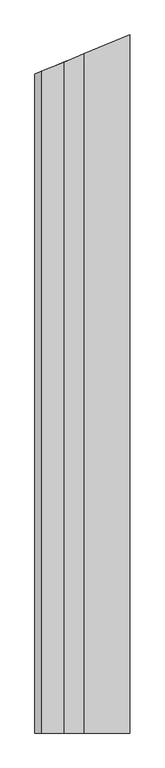
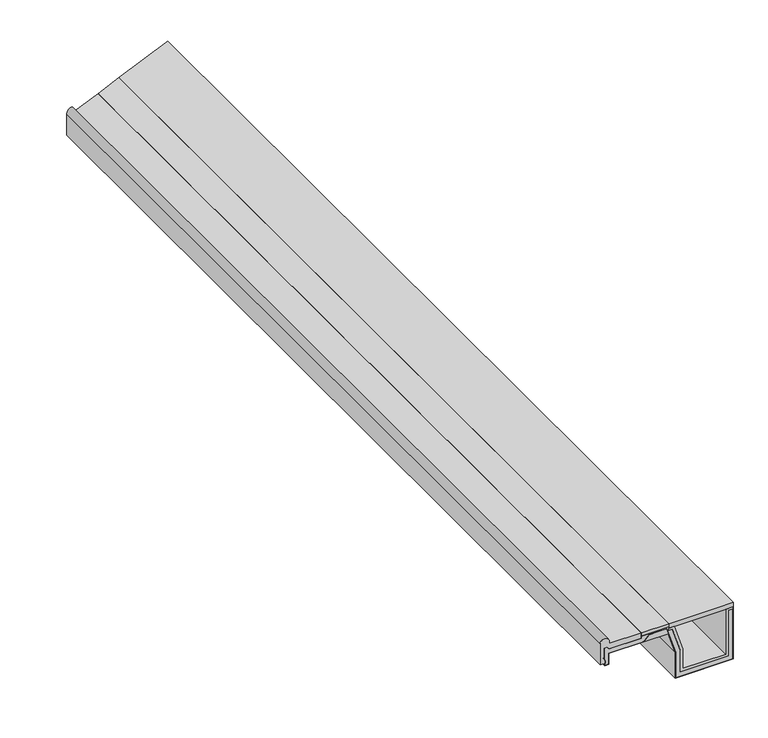
"""IFC4 building model written with IfcOpenShell, lengths in millimetres: proxy geometry."""

import ifcopenshell
import ifcopenshell.guid

model = None  # the IFC model being written
_history = None  # IfcOwnerHistory: only IFC2X3 demands one
_inside = {}  # id of a spatial element -> (the spatial element, [elements in it])
_under = {}  # id of a project, library or spatial element -> (it, [spatial elements below it])
_declared = {}  # id of a project -> (the project, [libraries it declares])
_typed = {}  # id of a type object -> (the type object, [elements of that type])
_made_of = {}  # id of a material, layer set ... -> (it, [elements and type objects made of it])


def new_model(schema):
    """Start an empty IFC model of exactly this schema.

    Asked for "IFC4X3", IfcOpenShell would pick the latest addendum, in which some entities
    have other attributes; the version numbers below select the first issue.
    IFC2X3 requires an IfcOwnerHistory on every rooted entity: one is made here for all.
    """
    global model, _history
    if schema == "IFC4X3":
        model = ifcopenshell.file(schema_version=(4, 3, 0, 0))
    else:
        model = ifcopenshell.file(schema=schema)
    _inside.clear()
    _under.clear()
    _declared.clear()
    _typed.clear()
    _made_of.clear()
    _history = None
    if model.schema == "IFC2X3":
        org = make("IfcOrganization", Name="unknown")
        user = make(
            "IfcPersonAndOrganization",
            ThePerson=make("IfcPerson", FamilyName="unknown"),
            TheOrganization=org,
        )
        app = make(
            "IfcApplication",
            ApplicationDeveloper=org,
            Version="unknown",
            ApplicationFullName="unknown",
            ApplicationIdentifier="unknown",
        )
        _history = make(
            "IfcOwnerHistory",
            OwningUser=user,
            OwningApplication=app,
            ChangeAction="ADDED",
            CreationDate=0,
        )
    return model


def make(cls, **values):
    """One entity of the class cls with the attributes given. An attribute that is None is left unset."""
    return model.create_entity(
        cls, **{name: value for name, value in values.items() if value is not None}
    )


def rooted(cls, **values):
    """An entity with a GlobalId (a new one), such as an element, a storey or a relation."""
    return make(cls, GlobalId=ifcopenshell.guid.new(), OwnerHistory=_history, **values)


def si_unit(unit_type, name, prefix=None):
    """IfcSIUnit, for example si_unit("LENGTHUNIT", "METRE", prefix="MILLI")."""
    return make("IfcSIUnit", UnitType=unit_type, Prefix=prefix, Name=name)


def assignment(units):
    """IfcUnitAssignment: the units of a project."""
    return None if units is None else make("IfcUnitAssignment", Units=units)


def point(xyz):
    """IfcCartesianPoint."""
    return None if xyz is None else make("IfcCartesianPoint", Coordinates=xyz)


def direction(xyz):
    """IfcDirection."""
    return None if xyz is None else make("IfcDirection", DirectionRatios=xyz)


def frame(location, z_axis=None, x_axis=None):
    """IfcAxis2Placement3D, a coordinate frame: its origin and axes. An axis left out is left unset."""
    return make(
        "IfcAxis2Placement3D",
        Location=point(location),
        Axis=direction(z_axis),
        RefDirection=direction(x_axis),
    )


def origin():
    """The frame at (0, 0, 0) with its axes left unset."""
    return frame((0.0, 0.0, 0.0))


def place(relative_to, where):
    """IfcLocalPlacement: puts the frame where relative to a parent placement (None: the world)."""
    return make(
        "IfcLocalPlacement", PlacementRelTo=relative_to, RelativePlacement=where
    )


def context(
    kind, dimensions, precision=None, world=None, true_north=None, identifier=None
):
    """IfcGeometricRepresentationContext, for example the 3D "Model" context."""
    return make(
        "IfcGeometricRepresentationContext",
        ContextIdentifier=identifier,
        ContextType=kind,
        CoordinateSpaceDimension=dimensions,
        Precision=precision,
        WorldCoordinateSystem=world,
        TrueNorth=true_north,
    )


def project(units=None, contexts=None):
    """IfcProject with its units and contexts."""
    return rooted(
        "IfcProject",
        Name="project",
        RepresentationContexts=contexts,
        UnitsInContext=assignment(units),
    )


def spatial(cls, under=None, at=None, **own):
    """A site, building, storey or space (cls), placed at a placement, below another one or the project."""
    s = rooted(cls, ObjectPlacement=at, **own)
    if under is not None:
        _under.setdefault(under.id(), (under, []))[1].append(s)
    return s


def polyline(points):
    """IfcPolyline through the points."""
    return make("IfcPolyline", Points=[point(p) for p in points])


def circle_curve(where, radius):
    """IfcCircle in the frame where."""
    return make("IfcCircle", Position=where, Radius=radius)


def ellipse_curve(where, semi_axis1, semi_axis2):
    """IfcEllipse in the frame where."""
    return make(
        "IfcEllipse", Position=where, SemiAxis1=semi_axis1, SemiAxis2=semi_axis2
    )


def outline(outer, holes=None, kind="AREA"):
    """IfcArbitraryClosedProfileDef: a profile drawn as a closed curve; with holes, ...WithVoids."""
    if holes is None:
        return make("IfcArbitraryClosedProfileDef", ProfileType=kind, OuterCurve=outer)
    return make(
        "IfcArbitraryProfileDefWithVoids",
        ProfileType=kind,
        OuterCurve=outer,
        InnerCurves=holes,
    )


def extrude(swept, where, along, depth):
    """IfcExtrudedAreaSolid: the profile swept, set in the frame where, extruded along a direction by depth."""
    return make(
        "IfcExtrudedAreaSolid",
        SweptArea=swept,
        Position=where,
        ExtrudedDirection=direction(along),
        Depth=depth,
    )


def faces_of(points, faces, orient=None, outer=None):
    """IfcFace entities. A face is a list of loops; a loop is a list of indices into points, from 0.

    orient and outer hold one flag for each loop. By default every Orientation is true, the
    first loop of a face is its IfcFaceOuterBound and the others are IfcFaceBound.
    """
    made = []
    for i, loops in enumerate(faces):
        bounds = []
        for j, loop in enumerate(loops):
            is_outer = j == 0 if outer is None else outer[i][j]
            bounds.append(
                make(
                    "IfcFaceOuterBound" if is_outer else "IfcFaceBound",
                    Bound=make("IfcPolyLoop", Polygon=[points[k] for k in loop]),
                    Orientation=True if orient is None else orient[i][j],
                )
            )
        made.append(make("IfcFace", Bounds=bounds))
    return made


def faceted_brep(points, faces, orient=None, outer=None, voids=None):
    """IfcFacetedBrep: a solid bounded by flat faces; with voids (closed shells), ...WithVoids."""
    shared = [point(p) for p in points]
    hull = make("IfcClosedShell", CfsFaces=faces_of(shared, faces, orient, outer))
    if voids is None:
        return make("IfcFacetedBrep", Outer=hull)
    return make(
        "IfcFacetedBrepWithVoids",
        Outer=hull,
        Voids=[
            make(cls, CfsFaces=faces_of(shared, fs, o, b)) for cls, fs, o, b in voids
        ],
    )


def shape(context_of_items, identifier, shape_type, items):
    """IfcShapeRepresentation: the items that make up one representation, for example the "Body"."""
    return make(
        "IfcShapeRepresentation",
        ContextOfItems=context_of_items,
        RepresentationIdentifier=identifier,
        RepresentationType=shape_type,
        Items=items,
    )


def source(mapping_origin, context_of_items, identifier, shape_type, items):
    """IfcRepresentationMap: a shape defined once, which mapped items show again and again."""
    return make(
        "IfcRepresentationMap",
        MappingOrigin=mapping_origin,
        MappedRepresentation=shape(context_of_items, identifier, shape_type, items),
    )


def transform(
    local_origin,
    x_axis=None,
    y_axis=None,
    z_axis=None,
    scale=None,
    scale2=None,
    scale3=None,
    uniform=True,
):
    """IfcCartesianTransformationOperator3D, or its non-uniform kind. x_axis, y_axis, z_axis: its Axis1, 2, 3."""
    if uniform:
        return make(
            "IfcCartesianTransformationOperator3D",
            Axis1=direction(x_axis),
            Axis2=direction(y_axis),
            LocalOrigin=point(local_origin),
            Scale=scale,
            Axis3=direction(z_axis),
        )
    return make(
        "IfcCartesianTransformationOperator3DnonUniform",
        Axis1=direction(x_axis),
        Axis2=direction(y_axis),
        LocalOrigin=point(local_origin),
        Scale=scale,
        Axis3=direction(z_axis),
        Scale2=scale2,
        Scale3=scale3,
    )


def mapped(mapping_source, mapping_target):
    """IfcMappedItem: shows the shape of a source again, moved by a transform."""
    return make(
        "IfcMappedItem", MappingSource=mapping_source, MappingTarget=mapping_target
    )


def made_of(thing, what):
    """Note that an element or type object is made of a material, layer set ...; save() writes the relation."""
    if what is not None:
        _made_of.setdefault(what.id(), (what, []))[1].append(thing)
    return thing


def element(
    cls,
    number,
    at=None,
    inside=None,
    cuts=None,
    type_object=None,
    material=None,
    context=None,
    identifier="Body",
    shape_type=None,
    held_by="IfcProductDefinitionShape",
    body=None,
    shapes=None,
    **own,
):
    """One element of the class cls, such as IfcWall. Its Tag is "e" and its number.

    at: its placement. inside: the storey or other place that contains it. cuts: it is an
    opening in that element (IfcRelVoidsElement). A single representation is given by context,
    identifier, shape_type and body (its items); several are given by shapes. held_by: the class
    of the entity that holds the representations. save() writes the other relations.
    """
    e = rooted(cls, Tag="e%d" % number, ObjectPlacement=at, **own)
    if body is not None:
        shapes = [shape(context, identifier, shape_type, body)]
    if shapes is not None:
        e.Representation = make(held_by, Representations=shapes)
    if inside is not None:
        _inside.setdefault(inside.id(), (inside, []))[1].append(e)
    if cuts is not None:
        rooted(
            "IfcRelVoidsElement", RelatingBuildingElement=cuts, RelatedOpeningElement=e
        )
    if type_object is not None:
        _typed.setdefault(type_object.id(), (type_object, []))[1].append(e)
    return made_of(e, material)


def aggregate(whole, parts):
    """IfcRelAggregates: a whole, such as a stair, and the parts it consists of."""
    return rooted("IfcRelAggregates", RelatingObject=whole, RelatedObjects=parts)


def save(model, path):
    """Write the relations noted so far, then the file.

    IfcRelAggregates (storeys below a building ...), IfcRelContainedInSpatialStructure (elements
    in a storey), IfcRelDefinesByType, IfcRelAssociatesMaterial and IfcRelDeclares: one each for
    every whole, place, type object, material and project.
    """
    for whole, parts in _under.values():
        aggregate(whole, parts)
    for where, things in _inside.values():
        rooted(
            "IfcRelContainedInSpatialStructure",
            RelatedElements=things,
            RelatingStructure=where,
        )
    for kind, things in _typed.values():
        rooted("IfcRelDefinesByType", RelatedObjects=things, RelatingType=kind)
    for what, things in _made_of.values():
        rooted("IfcRelAssociatesMaterial", RelatedObjects=things, RelatingMaterial=what)
    for by, libraries in _declared.values():
        rooted("IfcRelDeclares", RelatingContext=by, RelatedDefinitions=libraries)
    model.write(path)


def plane_surface(at):
    """IfcPlane: the flat surface through the origin of the frame at, square to its z axis."""
    return make("IfcPlane", Position=at)


def cylinder_surface(at, radius):
    """IfcCylindricalSurface: all points at the distance radius from the z axis of the frame at."""
    return make("IfcCylindricalSurface", Position=at, Radius=radius)


def advanced_brep(points, edges, surfaces, faces):
    """IfcAdvancedBrep: a solid bounded by faces that lie on surfaces and meet in shared edges.

    An edge is (start, end): straight between two places in points (the first is 0);
    or (start, end, curve); or (start, end, curve, False) where it runs against its curve.
    A face is (place in surfaces, loops), or (place, loops, False) where it looks against
    its surface's normal. A loop lists edges by number (the first is 1), with a minus sign
    where the edge is run from its end to its start. The first loop is the outer one.
    """
    corners = [point(p) for p in points]
    vertices = [make("IfcVertexPoint", VertexGeometry=c) for c in corners]
    made = []
    for start, end, *more in edges:
        made.append(
            make(
                "IfcEdgeCurve",
                EdgeStart=vertices[start],
                EdgeEnd=vertices[end],
                EdgeGeometry=more[0] if more else make("IfcPolyline", Points=[corners[start], corners[end]]),
                SameSense=more[1] if len(more) > 1 else True,
            )
        )
    hull = []
    for where, loops, *sense in faces:
        bounds = []
        for j, loop in enumerate(loops):
            ring = [make("IfcOrientedEdge", EdgeElement=made[abs(k) - 1], Orientation=k > 0) for k in loop]
            bounds.append(
                make(
                    "IfcFaceOuterBound" if j == 0 else "IfcFaceBound",
                    Bound=make("IfcEdgeLoop", EdgeList=ring),
                    Orientation=True,
                )
            )
        hull.append(make("IfcAdvancedFace", Bounds=bounds, FaceSurface=surfaces[where], SameSense=sense[0] if sense else True))
    return make("IfcAdvancedBrep", Outer=make("IfcClosedShell", CfsFaces=hull))


def generic_models_beae66f7(model_context):
    return source(origin(), model_context, "Body", "SolidModel", [
        faceted_brep([(315.0, -2137.9753397, 231.0), (350.0, -2137.9753397, 121.0), (350.0, -2137.9753397, 21.0), (560.0, -2137.9753397, 21.0), (560.0, -2137.9753397, 231.0), (580.0, -2137.9753397, 231.0), (580.0, -2137.9753397, 241.0), (548.0, -2137.9753397, 241.0), (548.0, -2137.9753397, 33.0), (362.0, -2137.9753397, 33.0), (362.0, -2137.9753397, 122.8630733), (324.4109779, -2137.9753397, 241.0), (300.0, -2137.9753397, 241.0), (300.0, -2137.9753397, 231.0), (300.0, 2021.5813287, 231.0), (315.0, 2027.7945321, 231.0), (300.0, 2021.5813287, 241.0), (324.4109779, 2031.6926868, 241.0), (362.0, 2047.2625696, 122.8630733), (362.0, 2047.2625696, 33.0), (548.0, 2124.3062922, 33.0), (548.0, 2124.3062922, 241.0), (580.0, 2137.5611261, 241.0), (580.0, 2137.5611261, 231.0), (560.0, 2129.2768549, 231.0), (560.0, 2129.2768549, 21.0), (350.0, 2042.2920068, 21.0), (350.0, 2042.2920068, 121.0)], [[[0, 1, 2, 3, 4, 5, 6, 7, 8, 9, 10, 11, 12, 13]], [[0, 13, 14, 15]], [[13, 12, 16, 14]], [[12, 11, 17, 16]], [[11, 10, 18, 17]], [[10, 9, 19, 18]], [[9, 8, 20, 19]], [[8, 7, 21, 20]], [[7, 6, 22, 21]], [[6, 5, 23, 22]], [[5, 4, 24, 23]], [[4, 3, 25, 24]], [[3, 2, 26, 25]], [[2, 1, 27, 26]], [[1, 0, 15, 27]], [[15, 14, 16, 17, 18, 19, 20, 21, 22, 23, 24, 25, 26, 27]]]),
        faceted_brep([(290.0989705, -2137.9753397, 240.0), (298.053516, -2137.9753397, 215.0), (298.053516, 2020.7750686, 215.0), (290.0989705, 2017.480188, 240.0), (190.4204922, -2137.9753397, 215.0), (190.4204922, 1976.1920104, 215.0), (215.4204922, -2137.9753397, 240.0), (215.4204922, 1986.5473495, 240.0)], [[[0, 1, 2, 3]], [[1, 4, 5, 2]], [[4, 6, 7, 5]], [[6, 0, 3, 7]], [[3, 2, 5, 7]], [[0, 6, 4, 1]]]),
        faceted_brep([(37.5062786, -2137.9753397, 166.0), (37.5062786, -2137.9753397, 216.0), (37.5062786, 1912.8528693, 216.0), (37.5062786, 1912.8528693, 166.0), (190.0062786, -2137.9753397, 216.0), (190.0062786, 1976.0204375, 216.0), (215.0062786, -2137.9753397, 241.0), (215.0062786, 1986.3757766, 241.0), (290.8301884, -2137.9753397, 241.0), (290.8301884, 2017.7830684, 241.0), (330.0, -2137.9753397, 117.8948778), (330.0, 2034.0077356, 117.8948778), (330.0, -2137.9753397, 1.0), (330.0, 2034.0077356, 1.0), (580.0, -2137.9753397, 1.0), (580.0, 2137.5611261, 1.0), (580.0, -2137.9753397, 241.0), (580.0, 2137.5611261, 241.0), (581.0, -2137.9753397, 241.0), (581.0, 2137.9753397, 241.0), (581.0, -2137.9753397, 0.0), (581.0, 2137.9753397, 0.0), (329.0, -2137.9753397, 0.0), (329.0, 2033.593522, 0.0), (329.0, -2137.9753397, 117.7396217), (329.0, 2033.593522, 117.7396217), (290.0989705, -2137.9753397, 240.0), (290.0989705, 2017.480188, 240.0), (215.4204922, -2137.9753397, 240.0), (215.4204922, 1986.5473495, 240.0), (190.4204922, -2137.9753397, 215.0), (190.4204922, 1976.1920104, 215.0), (38.5062786, -2137.9753397, 215.0), (38.5062786, 1913.2670828, 215.0), (38.5062786, -2137.9753397, 165.0), (38.5062786, 1913.2670828, 165.0), (20.0, -2137.9753397, 165.0), (20.0, 1905.6015312, 165.0), (20.0, -2137.9753397, 166.0), (20.0, 1905.6015312, 166.0)], [[[0, 1, 2, 3]], [[1, 4, 5, 2]], [[4, 6, 7, 5]], [[6, 8, 9, 7]], [[8, 10, 11, 9]], [[10, 12, 13, 11]], [[12, 14, 15, 13]], [[14, 16, 17, 15]], [[16, 18, 19, 17]], [[18, 20, 21, 19]], [[20, 22, 23, 21]], [[22, 24, 25, 23]], [[24, 26, 27, 25]], [[26, 28, 29, 27]], [[28, 30, 31, 29]], [[30, 32, 33, 31]], [[32, 34, 35, 33]], [[34, 36, 37, 35]], [[36, 38, 39, 37]], [[38, 0, 3, 39]], [[3, 2, 5, 7, 9, 11, 13, 15, 17, 19, 21, 23, 25, 27, 29, 31, 33, 35, 37, 39]], [[0, 38, 36, 34, 32, 30, 28, 26, 24, 22, 20, 18, 16, 14, 12, 10, 8, 6, 4, 1]]]),
        faceted_brep([(37.5062786, -2137.9753397, 166.0), (20.0, -2137.9753397, 166.0), (20.0, 1905.6015312, 166.0), (37.5062786, 1912.8528693, 166.0), (20.0, -2137.9753397, 176.0), (20.0, 1905.6015312, 176.0), (22.5, -2137.9753397, 176.0), (22.5, 1906.6370651, 176.0), (22.5, -2137.9753397, 186.0), (22.5, 1906.6370651, 186.0), (17.5062786, -2137.9753397, 194.6493791), (17.5062786, 1904.568598, 194.6493791), (17.5062786, -2137.9753397, 246.0), (17.5062786, 1904.568598, 246.0), (30.0, -2137.9753397, 246.0), (30.0, 1909.7436668, 246.0), (40.0, -2137.9753397, 236.0), (40.0, 1913.8858025, 236.0), (180.0, -2137.9753397, 236.0), (180.0, 1971.8757012, 236.0), (180.0, -2137.9753397, 246.0), (180.0, 1971.8757012, 246.0), (300.0, -2137.9753397, 246.0), (300.0, 2021.5813287, 246.0), (300.0, -2137.9753397, 231.0), (300.0, 2021.5813287, 231.0), (315.0, -2137.9753397, 231.0), (315.0, 2027.7945321, 231.0), (350.0, -2137.9753397, 121.0), (350.0, 2042.2920068, 121.0), (350.0, -2137.9753397, 21.0), (350.0, 2042.2920068, 21.0), (560.0, -2137.9753397, 21.0), (560.0, 2129.2768549, 21.0), (560.0, -2137.9753397, 231.0), (560.0, 2129.2768549, 231.0), (580.0, -2137.9753397, 231.0), (580.0, 2137.5611261, 231.0), (580.0, -2137.9753397, 1.0), (580.0, 2137.5611261, 1.0), (330.0, -2137.9753397, 1.0), (330.0, 2034.0077356, 1.0), (330.0, -2137.9753397, 117.8948778), (330.0, 2034.0077356, 117.8948778), (290.8301884, -2137.9753397, 241.0), (290.8301884, 2017.7830684, 241.0), (215.0062786, -2137.9753397, 241.0), (215.0062786, 1986.3757766, 241.0), (190.0062786, -2137.9753397, 216.0), (190.0062786, 1976.0204375, 216.0), (37.5062786, -2137.9753397, 216.0), (37.5062786, 1912.8528693, 216.0)], [[[0, 1, 2, 3]], [[1, 4, 5, 2]], [[4, 6, 7, 5]], [[6, 8, 9, 7]], [[8, 10, 11, 9]], [[10, 12, 13, 11]], [[12, 14, 15, 13]], [[14, 16, 17, 15]], [[16, 18, 19, 17]], [[18, 20, 21, 19]], [[20, 22, 23, 21]], [[22, 24, 25, 23]], [[24, 26, 27, 25]], [[26, 28, 29, 27]], [[28, 30, 31, 29]], [[30, 32, 33, 31]], [[32, 34, 35, 33]], [[34, 36, 37, 35]], [[36, 38, 39, 37]], [[38, 40, 41, 39]], [[40, 42, 43, 41]], [[42, 44, 45, 43]], [[44, 46, 47, 45]], [[46, 48, 49, 47]], [[48, 50, 51, 49]], [[50, 0, 3, 51]], [[3, 2, 5, 7, 9, 11, 13, 15, 17, 19, 21, 23, 25, 27, 29, 31, 33, 35, 37, 39, 41, 43, 45, 47, 49, 51]], [[0, 50, 48, 46, 44, 42, 40, 38, 36, 34, 32, 30, 28, 26, 24, 22, 20, 18, 16, 14, 12, 10, 8, 6, 4, 1]]]),
        extrude(outline(polyline([(300.0, -2137.9753397), (180.0, -2137.9753397), (180.0, 1971.8757012), (300.0, 2021.5813287), (300.0, -2137.9753397)])), frame((0.0, 0.0, 246.0), z_axis=(0.0, 0.0, 1.0), x_axis=(1.0, 0.0, 0.0)), (0.0, 0.0, 1.0), 15.0),
        faceted_brep([(300.0, -2137.9753397, 261.0), (300.0, 2021.5813287, 261.0), (300.0, 2021.5813287, 241.0), (300.0, -2137.9753397, 241.0), (581.0, -2137.9753397, 261.0), (581.0, 2137.9753397, 261.0), (581.0, 2137.9753397, 241.0), (581.0, -2137.9753397, 241.0)], [[[0, 1, 2, 3]], [[0, 4, 5, 1]], [[1, 5, 6, 2]], [[4, 7, 6, 5]], [[3, 2, 6, 7]], [[4, 0, 3, 7]]]),
        advanced_brep(
        [(40.0, -2137.9753397, 261.0), (180.0, -2137.9753397, 261.0), (180.0, 1971.8757012, 261.0), (40.0, 1913.8858025, 261.0), (180.0, -2137.9753397, 236.0), (180.0, 1971.8757012, 236.0), (40.0, -2137.9753397, 236.0), (40.0, 1913.8858025, 236.0), (30.0, -2137.9753397, 246.0), (30.0, 1909.7436668, 246.0), (17.5062786, -2137.9753397, 246.0), (17.5062786, 1904.568598, 246.0), (17.5062786, -2137.9753397, 194.6493791), (17.5062786, 1904.568598, 194.6493791), (22.5, -2137.9753397, 186.0), (22.5, 1906.6370651, 186.0), (22.5, -2137.9753397, 176.0), (22.5, 1906.6370651, 176.0), (0.0, -2137.9753397, 176.0), (0.0, 1897.31726, 176.0), (0.0, -2137.9753397, 271.0), (0.0, 1897.31726, 271.0), (40.0, -2137.9753397, 271.0), (40.0, 1913.8858025, 271.0), (20.0, 1905.6015312, 291.0)],
        [
            (0, 1),
            (1, 2),
            (2, 3),
            (3, 0),
            (1, 4),
            (4, 5),
            (5, 2),
            (4, 6),
            (6, 7),
            (7, 5),
            (6, 8),
            (8, 9),
            (9, 7),
            (8, 10),
            (10, 11),
            (11, 9),
            (10, 12),
            (12, 13),
            (13, 11),
            (12, 14),
            (14, 15),
            (15, 13),
            (14, 16),
            (16, 17),
            (17, 15),
            (16, 18),
            (18, 19),
            (19, 17),
            (18, 20),
            (20, 21),
            (21, 19),
            (20, 22, circle_curve(frame((20.0, -2137.9753397, 271.0), z_axis=(0.0, 1.0, 0.0), x_axis=(1.0, 0.0, 0.0)), 20.0)),
            (22, 23),
            (23, 24, ellipse_curve(frame((20.0, 1905.6015312, 271.0), z_axis=(0.38268343236508917, -0.923879532511287, 0.0), x_axis=(0.9238795325112868, 0.38268343236508956, 0.0)), 21.647844, 20.0)),
            (24, 21, ellipse_curve(frame((20.0, 1905.6015312, 271.0), z_axis=(0.38268343236508917, -0.923879532511287, 0.0), x_axis=(0.9238795325112868, 0.38268343236508956, 0.0)), 21.647844, 20.0)),
            (22, 0),
            (3, 23),
        ],
        [
            plane_surface(frame((40.0, 2137.9753397, 261.0), z_axis=(0.0, 0.0, 1.0), x_axis=(0.0, -1.0, 0.0))),
            plane_surface(frame((180.0, 2137.9753397, 261.0), z_axis=(1.0, 0.0, 0.0), x_axis=(0.0, -1.0, 0.0))),
            plane_surface(frame((180.0, 2137.9753397, 236.0), z_axis=(0.0, 0.0, -1.0), x_axis=(0.0, -1.0, 0.0))),
            plane_surface(frame((40.0, 2137.9753397, 236.0), z_axis=(-0.7071067811865495, 0.0, -0.7071067811865456), x_axis=(0.0, -1.0, 0.0))),
            plane_surface(frame((30.0, 2137.9753397, 246.0), z_axis=(0.0, 0.0, -1.0), x_axis=(0.0, -1.0, 0.0))),
            plane_surface(frame((17.5062786, 2137.9753397, 246.0), z_axis=(1.0, 0.0, 0.0), x_axis=(0.0, -1.0, 0.0))),
            plane_surface(frame((17.5062786, 2137.9753397, 194.6493791), z_axis=(0.8660254037844389, 0.0, 0.4999999999999996), x_axis=(0.0, -1.0, 0.0))),
            plane_surface(frame((22.5, 2137.9753397, 186.0), z_axis=(1.0, 0.0, 0.0), x_axis=(0.0, -1.0, 0.0))),
            plane_surface(frame((22.5, 2137.9753397, 176.0), z_axis=(0.0, 0.0, -1.0), x_axis=(0.0, -1.0, 0.0))),
            plane_surface(frame((0.0, 2137.9753397, 176.0), z_axis=(-1.0, 0.0, 0.0), x_axis=(0.0, -1.0, 0.0))),
            cylinder_surface(frame((20.0, 2137.9753397, 271.0), z_axis=(0.0, 1.0, 0.0), x_axis=(1.0, 0.0, 0.0)), 20.0),
            plane_surface(frame((40.0, 2137.9753397, 271.0), z_axis=(1.0, 0.0, 0.0), x_axis=(0.0, -1.0, 0.0))),
            plane_surface(frame((0.0, 1897.31726, 291.0), z_axis=(-0.38268343236508917, 0.923879532511287, 0.0), x_axis=(0.0, 0.0, -1.0))),
            plane_surface(frame((0.0, -2137.9753397, 0.0), z_axis=(0.0, -1.0, 0.0), x_axis=(0.0, 0.0, 1.0))),
        ],
        [
            (0, [[1, 2, 3, 4]]),
            (1, [[5, 6, 7, -2]]),
            (2, [[8, 9, 10, -6]]),
            (3, [[11, 12, 13, -9]]),
            (4, [[14, 15, 16, -12]]),
            (5, [[17, 18, 19, -15]]),
            (6, [[20, 21, 22, -18]]),
            (7, [[23, 24, 25, -21]]),
            (8, [[26, 27, 28, -24]]),
            (9, [[29, 30, 31, -27]]),
            (10, [[32, 33, 34, 35, -30]]),
            (11, [[36, -4, 37, -33]]),
            (12, [[-3, -7, -10, -13, -16, -19, -22, -25, -28, -31, -35, -34, -37]]),
            (13, [[-36, -32, -29, -26, -23, -20, -17, -14, -11, -8, -5, -1]]),
        ],
    ),
    ])


if __name__ == "__main__":
    model = new_model("IFC4")
    model_context = context("Model", 3, world=origin())
    ifc_project = project(units=[si_unit("LENGTHUNIT", "METRE", prefix="MILLI")], contexts=[model_context])
    site = spatial("IfcSite", under=ifc_project)
    building = spatial("IfcBuilding", under=site)
    placement = place(None, origin())
    generic_models_shape = generic_models_beae66f7(model_context)
    element("IfcBuildingElementProxy", 1, Name="Generic Models", at=placement, inside=building, context=model_context, shape_type="MappedRepresentation", body=[
        mapped(generic_models_shape, transform((0.0, 0.0, 0.0), x_axis=(1.0, 0.0, 0.0), y_axis=(0.0, 1.0, 0.0), z_axis=(0.0, 0.0, 1.0))),
    ])
    save(model, "model.ifc")
